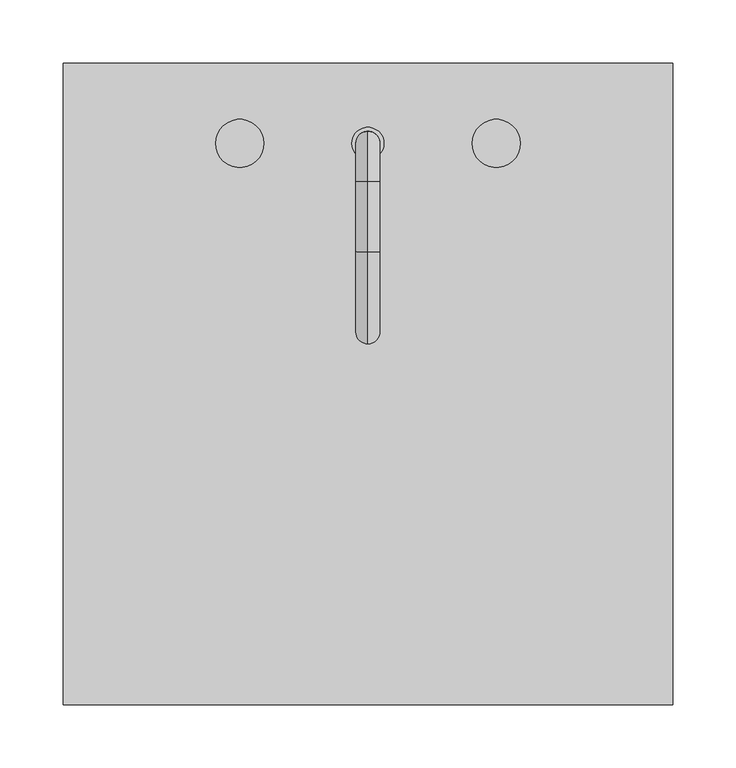
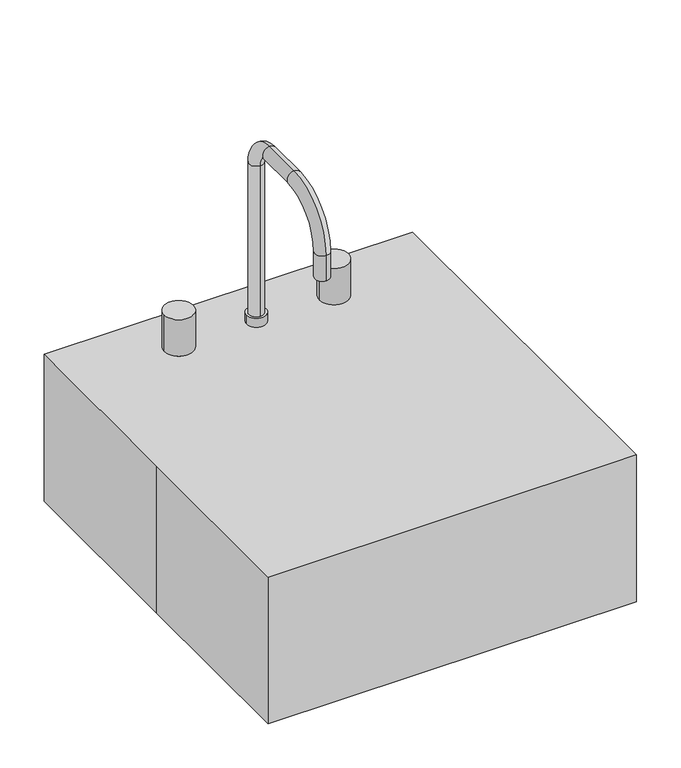
"""IFC4 building model written with IfcOpenShell, lengths in millimetres: proxy geometry."""

from ifc_helpers import new_model, si_unit, point, frame, frame_2d, origin, origin_with_axes, place, context, project, spatial, polyline, circle_curve, ellipse_curve, trimmed, segment, composite_curve, outline, extrude, source, transform, mapped, element, save
from ifc_brep_helpers import plane_surface, cylinder_surface, revolved_surface, advanced_brep


def specialty_equipment_f8ead85c(model_context):
    return source(origin(), model_context, "Body", "SolidModel", [
        advanced_brep(
        [(-215.9, -215.9, 190.5), (215.9, -215.9, 190.5), (215.9, 254.0, 190.5), (-215.9, 254.0, 190.5), (133.35, 139.7, 190.5), (177.8, 95.25, 190.5), (177.8, -133.35, 190.5), (133.35, -177.8, 190.5), (-133.35, -177.8, 190.5), (-177.8, -133.35, 190.5), (-177.8, 95.25, 190.5), (-133.35, 139.7, 190.5), (-120.65, 190.5, 190.5), (-82.55, 190.5, 190.5), (-19.05, 190.5, 190.5), (19.05, 190.5, 190.5), (82.55, 190.5, 190.5), (120.65, 190.5, 190.5), (-215.9, -215.9, 177.8), (-215.9, 254.0, 177.8), (215.9, 254.0, 177.8), (215.9, -215.9, 177.8), (-120.65, 190.5, 177.8), (-82.55, 190.5, 177.8), (-19.05, 190.5, 177.8), (19.05, 190.5, 177.8), (82.55, 190.5, 177.8), (120.65, 190.5, 177.8), (184.15, 95.25, 177.8), (133.35, 146.05, 177.8), (-133.35, 146.05, 177.8), (-184.15, 95.25, 177.8), (-184.15, -133.35, 177.8), (-133.35, -184.15, 177.8), (133.35, -184.15, 177.8), (184.15, -133.35, 177.8), (133.35, 139.7, 177.8), (177.8, 95.25, 177.8), (177.8, 95.25, 6.35), (177.8, -133.35, 6.35), (177.8, -133.35, 177.8), (133.35, -177.8, 177.8), (133.35, -177.8, 6.35), (-133.35, -177.8, 6.35), (-133.35, -177.8, 177.8), (-177.8, -133.35, 177.8), (-177.8, -133.35, 6.35), (-177.8, 95.25, 6.35), (-177.8, 95.25, 177.8), (-133.35, 139.7, 177.8), (-133.35, 139.7, 6.35), (133.35, 139.7, 6.35), (184.15, 95.25, 0.0), (133.35, 146.05, 0.0), (184.15, -133.35, 0.0), (133.35, -184.15, 0.0), (-133.35, -184.15, 0.0), (-184.15, -133.35, 0.0), (-184.15, 95.25, 0.0), (-133.35, 146.05, 0.0), (-19.05, -19.05, 0.0), (19.05, -19.05, 0.0), (-19.05, -19.05, 6.35), (19.05, -19.05, 6.35)],
        [
            (0, 1),
            (1, 2),
            (2, 3),
            (3, 0),
            (4, 5, circle_curve(frame((133.35, 95.25, 190.5), z_axis=(0.0, 0.0, -1.0), x_axis=(1.0, 0.0, 0.0)), 44.45)),
            (5, 6),
            (6, 7, circle_curve(frame((133.35, -133.35, 190.5), z_axis=(0.0, 0.0, -1.0), x_axis=(1.0, 0.0, 0.0)), 44.45)),
            (7, 8),
            (8, 9, circle_curve(frame((-133.35, -133.35, 190.5), z_axis=(0.0, 0.0, -1.0), x_axis=(1.0, 0.0, 0.0)), 44.45)),
            (9, 10),
            (10, 11, circle_curve(frame((-133.35, 95.25, 190.5), z_axis=(0.0, 0.0, -1.0), x_axis=(1.0, 0.0, 0.0)), 44.45)),
            (11, 4),
            (12, 13, circle_curve(frame((-101.6, 190.5, 190.5), z_axis=(0.0, 0.0, -1.0), x_axis=(1.0, 0.0, 0.0)), 19.05)),
            (13, 12, circle_curve(frame((-101.6, 190.5, 190.5), z_axis=(0.0, 0.0, -1.0), x_axis=(1.0, 0.0, 0.0)), 19.05)),
            (14, 15, circle_curve(frame((0.0, 190.5, 190.5), z_axis=(0.0, 0.0, -1.0), x_axis=(1.0, 0.0, 0.0)), 19.05)),
            (15, 14, circle_curve(frame((0.0, 190.5, 190.5), z_axis=(0.0, 0.0, -1.0), x_axis=(1.0, 0.0, 0.0)), 19.05)),
            (16, 17, circle_curve(frame((101.6, 190.5, 190.5), z_axis=(0.0, 0.0, -1.0), x_axis=(1.0, 0.0, 0.0)), 19.05)),
            (17, 16, circle_curve(frame((101.6, 190.5, 190.5), z_axis=(0.0, 0.0, -1.0), x_axis=(1.0, 0.0, 0.0)), 19.05)),
            (18, 19),
            (19, 20),
            (20, 21),
            (21, 18),
            (22, 23, circle_curve(frame((-101.6, 190.5, 177.8), z_axis=(0.0, 0.0, 1.0), x_axis=(1.0, 0.0, 0.0)), 19.05)),
            (23, 22, circle_curve(frame((-101.6, 190.5, 177.8), z_axis=(0.0, 0.0, 1.0), x_axis=(1.0, 0.0, 0.0)), 19.05)),
            (24, 25, circle_curve(frame((0.0, 190.5, 177.8), z_axis=(0.0, 0.0, 1.0), x_axis=(1.0, 0.0, 0.0)), 19.05)),
            (25, 24, circle_curve(frame((0.0, 190.5, 177.8), z_axis=(0.0, 0.0, 1.0), x_axis=(1.0, 0.0, 0.0)), 19.05)),
            (26, 27, circle_curve(frame((101.6, 190.5, 177.8), z_axis=(0.0, 0.0, 1.0), x_axis=(1.0, 0.0, 0.0)), 19.05)),
            (27, 26, circle_curve(frame((101.6, 190.5, 177.8), z_axis=(0.0, 0.0, 1.0), x_axis=(1.0, 0.0, 0.0)), 19.05)),
            (28, 29, circle_curve(frame((133.35, 95.25, 177.8), z_axis=(0.0, 0.0, 1.0), x_axis=(0.0, 1.0, 0.0)), 50.8)),
            (29, 30),
            (30, 31, circle_curve(frame((-133.35, 95.25, 177.8), z_axis=(0.0, 0.0, 1.0), x_axis=(-1.0, 0.0, 0.0)), 50.8)),
            (31, 32),
            (32, 33, circle_curve(frame((-133.35, -133.35, 177.8), z_axis=(0.0, 0.0, 1.0), x_axis=(0.0, -1.0, 0.0)), 50.8)),
            (33, 34),
            (34, 35, circle_curve(frame((133.35, -133.35, 177.8), z_axis=(0.0, 0.0, 1.0), x_axis=(1.0, 0.0, 0.0)), 50.8)),
            (35, 28),
            (0, 18),
            (21, 1),
            (20, 2),
            (19, 3),
            (4, 36),
            (36, 37, circle_curve(frame((133.35, 95.25, 177.8), z_axis=(0.0, 0.0, -1.0), x_axis=(1.0, 0.0, 0.0)), 44.45)),
            (37, 5),
            (37, 38),
            (38, 39),
            (39, 40),
            (40, 6),
            (40, 41, circle_curve(frame((133.35, -133.35, 177.8), z_axis=(0.0, 0.0, -1.0), x_axis=(1.0, 0.0, 0.0)), 44.45)),
            (41, 7),
            (41, 42),
            (42, 43),
            (43, 44),
            (44, 8),
            (44, 45, circle_curve(frame((-133.35, -133.35, 177.8), z_axis=(0.0, 0.0, -1.0), x_axis=(1.0, 0.0, 0.0)), 44.45)),
            (45, 9),
            (45, 46),
            (46, 47),
            (47, 48),
            (48, 10),
            (48, 49, circle_curve(frame((-133.35, 95.25, 177.8), z_axis=(0.0, 0.0, -1.0), x_axis=(1.0, 0.0, 0.0)), 44.45)),
            (49, 11),
            (49, 50),
            (50, 51),
            (51, 36),
            (12, 22),
            (23, 13),
            (14, 24),
            (25, 15),
            (16, 26),
            (27, 17),
            (52, 53, circle_curve(frame((133.35, 95.25, 0.0), z_axis=(0.0, 0.0, 1.0), x_axis=(0.0, 1.0, 0.0)), 50.8)),
            (53, 29),
            (28, 52),
            (51, 38, circle_curve(frame((133.35, 95.25, 6.35), z_axis=(0.0, 0.0, -1.0), x_axis=(0.0, 1.0, 0.0)), 44.45)),
            (35, 54),
            (54, 52),
            (34, 55),
            (55, 54, circle_curve(frame((133.35, -133.35, 0.0), z_axis=(0.0, 0.0, 1.0), x_axis=(1.0, 0.0, 0.0)), 50.8)),
            (39, 42, circle_curve(frame((133.35, -133.35, 6.35), z_axis=(0.0, 0.0, -1.0), x_axis=(1.0, 0.0, 0.0)), 44.45)),
            (33, 56),
            (56, 55),
            (32, 57),
            (57, 56, circle_curve(frame((-133.35, -133.35, 0.0), z_axis=(0.0, 0.0, 1.0), x_axis=(0.0, -1.0, 0.0)), 50.8)),
            (43, 46, circle_curve(frame((-133.35, -133.35, 6.35), z_axis=(0.0, 0.0, -1.0), x_axis=(0.0, -1.0, 0.0)), 44.45)),
            (31, 58),
            (58, 57),
            (30, 59),
            (59, 58, circle_curve(frame((-133.35, 95.25, 0.0), z_axis=(0.0, 0.0, 1.0), x_axis=(-1.0, 0.0, 0.0)), 50.8)),
            (47, 50, circle_curve(frame((-133.35, 95.25, 6.35), z_axis=(0.0, 0.0, -1.0), x_axis=(-1.0, 0.0, 0.0)), 44.45)),
            (53, 59),
            (60, 61, circle_curve(frame((0.0, -19.05, 0.0), z_axis=(0.0, 0.0, 1.0), x_axis=(1.0, 0.0, 0.0)), 19.05)),
            (61, 60, circle_curve(frame((0.0, -19.05, 0.0), z_axis=(0.0, 0.0, 1.0), x_axis=(1.0, 0.0, 0.0)), 19.05)),
            (62, 63, circle_curve(frame((0.0, -19.05, 6.35), z_axis=(0.0, 0.0, -1.0), x_axis=(1.0, 0.0, 0.0)), 19.05)),
            (63, 62, circle_curve(frame((0.0, -19.05, 6.35), z_axis=(0.0, 0.0, -1.0), x_axis=(1.0, 0.0, 0.0)), 19.05)),
            (62, 60),
            (61, 63),
        ],
        [
            plane_surface(frame((215.9, -215.9, 190.5), z_axis=(0.0, 0.0, 1.0), x_axis=(1.0, 0.0, 0.0))),
            plane_surface(frame((215.9, -215.9, 177.8), z_axis=(0.0, 0.0, -1.0), x_axis=(-1.0, 0.0, 0.0))),
            plane_surface(frame((-215.9, -215.9, 190.5), z_axis=(0.0, -1.0, 0.0), x_axis=(0.0, 0.0, -1.0))),
            plane_surface(frame((215.9, -215.9, 190.5), z_axis=(1.0, 0.0, 0.0), x_axis=(0.0, 0.0, -1.0))),
            plane_surface(frame((215.9, 254.0, 190.5), z_axis=(0.0, 1.0, 0.0), x_axis=(0.0, 0.0, -1.0))),
            plane_surface(frame((-215.9, 254.0, 190.5), z_axis=(-1.0, 0.0, 0.0), x_axis=(0.0, 0.0, -1.0))),
            revolved_surface(polyline([(177.8, 95.25, 177.8), (177.8, 95.25, 190.5)]), (133.35, 95.25, 177.8), (0.0, 0.0, -1.0)),
            plane_surface(frame((177.8, 95.25, 190.5), z_axis=(-1.0, 0.0, 0.0), x_axis=(0.0, 0.0, -1.0))),
            revolved_surface(polyline([(177.8, -133.35, 177.8), (177.8, -133.35, 190.5)]), (133.35, -133.35, 177.8), (0.0, 0.0, -1.0)),
            plane_surface(frame((133.35, -177.8, 190.5), z_axis=(0.0, 1.0, 0.0), x_axis=(0.0, 0.0, -1.0))),
            revolved_surface(polyline([(-88.89999999999999, -133.35, 177.8), (-88.89999999999999, -133.35, 190.5)]), (-133.35, -133.35, 177.8), (0.0, 0.0, -1.0)),
            plane_surface(frame((-177.8, -133.35, 190.5), z_axis=(1.0, 0.0, 0.0), x_axis=(0.0, 0.0, -1.0))),
            revolved_surface(polyline([(-88.89999999999999, 95.25, 177.8), (-88.89999999999999, 95.25, 190.5)]), (-133.35, 95.25, 177.8), (0.0, 0.0, -1.0)),
            plane_surface(frame((-133.35, 139.7, 190.5), z_axis=(0.0, -1.0, 0.0), x_axis=(0.0, 0.0, -1.0))),
            revolved_surface(polyline([(-82.55, 190.5, 177.8), (-82.55, 190.5, 190.5)]), (-101.6, 190.5, 177.8), (0.0, 0.0, -1.0)),
            revolved_surface(polyline([(19.05, 190.5, 177.8), (19.05, 190.5, 190.5)]), (0.0, 190.5, 177.8), (0.0, 0.0, -1.0)),
            revolved_surface(polyline([(120.64999999999999, 190.5, 177.8), (120.64999999999999, 190.5, 190.5)]), (101.6, 190.5, 177.8), (0.0, 0.0, -1.0)),
            cylinder_surface(frame((133.35, 95.25, 190.5), z_axis=(0.0, 0.0, -1.0), x_axis=(0.0, 1.0, 0.0)), 50.8),
            revolved_surface(polyline([(133.35, 139.7, 6.349999999999994), (133.35, 139.7, 177.8)]), (133.35, 95.25, 190.5), (0.0, 0.0, -1.0)),
            plane_surface(frame((184.15, 95.25, 177.8), z_axis=(1.0, 0.0, 0.0), x_axis=(0.0, -1.0, 0.0))),
            cylinder_surface(frame((133.35, -133.35, 190.5), z_axis=(0.0, 0.0, -1.0), x_axis=(1.0, 0.0, 0.0)), 50.8),
            revolved_surface(polyline([(177.8, -133.35, 6.349999999999994), (177.8, -133.35, 177.8)]), (133.35, -133.35, 190.5), (0.0, 0.0, -1.0)),
            plane_surface(frame((133.35, -184.15, 177.8), z_axis=(0.0, -1.0, 0.0), x_axis=(-1.0, 0.0, 0.0))),
            cylinder_surface(frame((-133.35, -133.35, 190.5), z_axis=(0.0, 0.0, -1.0), x_axis=(0.0, -1.0, 0.0)), 50.8),
            revolved_surface(polyline([(-133.35, -177.8, 6.349999999999994), (-133.35, -177.8, 177.8)]), (-133.35, -133.35, 190.5), (0.0, 0.0, -1.0)),
            plane_surface(frame((-184.15, -133.35, 177.8), z_axis=(-1.0, 0.0, 0.0), x_axis=(0.0, 1.0, 0.0))),
            cylinder_surface(frame((-133.35, 95.25, 190.5), z_axis=(0.0, 0.0, -1.0), x_axis=(-1.0, 0.0, 0.0)), 50.8),
            revolved_surface(polyline([(-177.8, 95.25, 6.349999999999994), (-177.8, 95.25, 177.8)]), (-133.35, 95.25, 190.5), (0.0, 0.0, -1.0)),
            plane_surface(frame((-133.35, 146.05, 177.8), z_axis=(0.0, 1.0, 0.0), x_axis=(1.0, 0.0, 0.0))),
            plane_surface(frame((-133.35, 146.05, 0.0), z_axis=(0.0, 0.0, -1.0), x_axis=(1.0, 0.0, 0.0))),
            plane_surface(frame((-88.9, 95.25, 6.35), z_axis=(0.0, 0.0, 1.0), x_axis=(0.0, 1.0, 0.0))),
            revolved_surface(polyline([(19.05, -19.05, 0.0), (19.05, -19.05, 6.35)]), (0.0, -19.05, 0.0), (0.0, 0.0, -1.0)),
        ],
        [
            (0, [[1, 2, 3, 4], [5, 6, 7, 8, 9, 10, 11, 12], [13, 14], [15, 16], [17, 18]]),
            (1, [[19, 20, 21, 22], [23, 24], [25, 26], [27, 28], [29, 30, 31, 32, 33, 34, 35, 36]]),
            (2, [[-1, 37, -22, 38]]),
            (3, [[-2, -38, -21, 39]]),
            (4, [[-3, -39, -20, 40]]),
            (5, [[-4, -40, -19, -37]]),
            (6, [[-5, 41, 42, 43]]),
            (7, [[-6, -43, 44, 45, 46, 47]]),
            (8, [[-7, -47, 48, 49]]),
            (9, [[-8, -49, 50, 51, 52, 53]]),
            (10, [[-9, -53, 54, 55]]),
            (11, [[-10, -55, 56, 57, 58, 59]]),
            (12, [[-11, -59, 60, 61]]),
            (13, [[-12, -61, 62, 63, 64, -41]]),
            (14, [[-13, 65, -24, 66]]),
            (14, [[-14, -66, -23, -65]]),
            (15, [[-15, 67, -26, 68]]),
            (15, [[-16, -68, -25, -67]]),
            (16, [[-17, 69, -28, 70]]),
            (16, [[-18, -70, -27, -69]]),
            (17, [[71, 72, -29, 73]]),
            (18, [[-42, -64, 74, -44]]),
            (19, [[-73, -36, 75, 76]]),
            (20, [[-75, -35, 77, 78]]),
            (21, [[-48, -46, 79, -50]]),
            (22, [[-77, -34, 80, 81]]),
            (23, [[-80, -33, 82, 83]]),
            (24, [[-54, -52, 84, -56]]),
            (25, [[-82, -32, 85, 86]]),
            (26, [[-85, -31, 87, 88]]),
            (27, [[-60, -58, 89, -62]]),
            (28, [[-72, 90, -87, -30]]),
            (29, [[-71, -76, -78, -81, -83, -86, -88, -90], [91, 92]]),
            (30, [[-45, -74, -63, -89, -57, -84, -51, -79], [93, 94]]),
            (31, [[-93, 95, -92, 96]]),
            (31, [[-94, -96, -91, -95]]),
        ],
    ),
        extrude(outline(polyline([(-241.3, 254.0), (241.3, 254.0), (241.3, -254.0), (-241.3, -254.0), (-241.3, 0.0), (-241.3, 254.0)])), origin_with_axes(), (0.0, 0.0, 1.0), 203.2),
        advanced_brep(
        [(0.0, 200.025, 203.2), (0.0, 180.975, 203.2), (0.0, 200.025, 423.8625), (0.0, 180.975, 423.8625), (0.0, 160.3375, 444.5), (0.0, 160.3375, 463.55), (0.0, 104.775, 463.55), (0.0, 104.775, 444.5), (0.0, 50.8, 390.525), (0.0, 31.75, 390.525), (0.0, 31.75, 355.6), (0.0, 50.8, 355.6)],
        [
            (0, 1, circle_curve(frame((0.0, 190.5, 203.2), z_axis=(0.0, 0.0, -1.0), x_axis=(0.0, -1.0, 0.0)), 9.525)),
            (1, 0, circle_curve(frame((0.0, 190.5, 203.2), z_axis=(0.0, 0.0, -1.0), x_axis=(0.0, -1.0, 0.0)), 9.525)),
            (0, 2),
            (2, 3, circle_curve(frame((0.0, 190.5, 423.8625), z_axis=(0.0, 0.0, -1.0), x_axis=(0.0, -1.0, 0.0)), 9.525)),
            (3, 1),
            (3, 2, circle_curve(frame((0.0, 190.5, 423.8625), z_axis=(0.0, 0.0, -1.0), x_axis=(0.0, -1.0, 0.0)), 9.525)),
            (4, 3, circle_curve(frame((0.0, 160.3375, 423.8625), z_axis=(-1.0, 0.0, 0.0), x_axis=(0.0, 1.0, 0.0)), 20.6375)),
            (2, 5, circle_curve(frame((0.0, 160.3375, 423.8625), z_axis=(1.0, 0.0, 0.0), x_axis=(0.0, 1.0, 0.0)), 39.6875)),
            (5, 4, circle_curve(frame((0.0, 160.3375, 454.025), z_axis=(0.0, 1.0, 0.0), x_axis=(0.0, 0.0, -1.0)), 9.525)),
            (4, 5, circle_curve(frame((0.0, 160.3375, 454.025), z_axis=(0.0, 1.0, 0.0), x_axis=(0.0, 0.0, -1.0)), 9.525)),
            (5, 6),
            (6, 7, circle_curve(frame((0.0, 104.775, 454.025), z_axis=(0.0, 1.0, 0.0), x_axis=(0.0, 0.0, -1.0)), 9.525)),
            (7, 4),
            (7, 6, circle_curve(frame((0.0, 104.775, 454.025), z_axis=(0.0, 1.0, 0.0), x_axis=(0.0, 0.0, -1.0)), 9.525)),
            (8, 7, circle_curve(frame((0.0, 104.775, 390.525), z_axis=(-1.0, 0.0, 0.0), x_axis=(0.0, 0.0, 1.0)), 53.975)),
            (6, 9, circle_curve(frame((0.0, 104.775, 390.525), z_axis=(1.0, 0.0, 0.0), x_axis=(0.0, 0.0, 1.0)), 73.025)),
            (9, 8, circle_curve(frame((0.0, 41.275, 390.525), z_axis=(0.0, 0.0, 1.0), x_axis=(0.0, 1.0, 0.0)), 9.525)),
            (8, 9, circle_curve(frame((0.0, 41.275, 390.525), z_axis=(0.0, 0.0, 1.0), x_axis=(0.0, 1.0, 0.0)), 9.525)),
            (10, 11, circle_curve(frame((0.0, 41.275, 355.6), z_axis=(0.0, 0.0, -1.0), x_axis=(0.0, 1.0, 0.0)), 9.525)),
            (11, 10, circle_curve(frame((0.0, 41.275, 355.6), z_axis=(0.0, 0.0, -1.0), x_axis=(0.0, 1.0, 0.0)), 9.525)),
            (9, 10),
            (11, 8),
        ],
        [
            plane_surface(frame((0.0, 180.975, 203.2), z_axis=(0.0, 0.0, -1.0), x_axis=(1.0, 0.0, 0.0))),
            cylinder_surface(frame((0.0, 190.5, 203.2), z_axis=(0.0, 0.0, -1.0), x_axis=(0.0, -1.0, 0.0)), 9.525),
            revolved_surface(trimmed(ellipse_curve(frame((0.0, 190.5, 423.8625), z_axis=(0.0, 0.0, -1.0), x_axis=(0.0, -1.0, 0.0)), 9.525, 9.525), [point((0.0, 200.025, 423.8625))], [point((0.0, 180.975, 423.8625))], True, "CARTESIAN"), (0.0, 160.3375, 423.8625), (1.0, 0.0, 0.0)),
            revolved_surface(trimmed(ellipse_curve(frame((0.0, 190.5, 423.8625), z_axis=(0.0, 0.0, -1.0), x_axis=(0.0, -1.0, 0.0)), 9.525, 9.525), [point((0.0, 180.975, 423.8625))], [point((0.0, 200.025, 423.8625))], True, "CARTESIAN"), (0.0, 160.3375, 423.8625), (1.0, 0.0, 0.0)),
            cylinder_surface(frame((0.0, 160.3375, 454.025), z_axis=(0.0, 1.0, 0.0), x_axis=(0.0, 0.0, -1.0)), 9.525),
            revolved_surface(trimmed(ellipse_curve(frame((0.0, 104.775, 454.025), z_axis=(0.0, 1.0, 0.0), x_axis=(0.0, 0.0, -1.0)), 9.525, 9.525), [point((0.0, 104.775, 463.55))], [point((0.0, 104.775, 444.5))], True, "CARTESIAN"), (0.0, 104.775, 390.525), (1.0, 0.0, 0.0)),
            revolved_surface(trimmed(ellipse_curve(frame((0.0, 104.775, 454.025), z_axis=(0.0, 1.0, 0.0), x_axis=(0.0, 0.0, -1.0)), 9.525, 9.525), [point((0.0, 104.775, 444.5))], [point((0.0, 104.775, 463.55))], True, "CARTESIAN"), (0.0, 104.775, 390.525), (1.0, 0.0, 0.0)),
            plane_surface(frame((0.0, 31.75, 355.6), z_axis=(0.0, 0.0, -1.0), x_axis=(-1.0, 0.0, 0.0))),
            cylinder_surface(frame((0.0, 41.275, 390.525), z_axis=(0.0, 0.0, 1.0), x_axis=(0.0, 1.0, 0.0)), 9.525),
        ],
        [
            (0, [[1, 2]]),
            (1, [[-1, 3, 4, 5]]),
            (1, [[-2, -5, 6, -3]]),
            (2, [[7, -4, 8, 9]]),
            (3, [[-8, -6, -7, 10]]),
            (4, [[-9, 11, 12, 13]]),
            (4, [[-10, -13, 14, -11]]),
            (5, [[15, -12, 16, 17]]),
            (6, [[-16, -14, -15, 18]]),
            (7, [[19, 20]]),
            (8, [[-17, 21, -20, 22]]),
            (8, [[-18, -22, -19, -21]]),
        ],
    ),
        extrude(outline(composite_curve([segment(trimmed(circle_curve(frame_2d((0.0, 190.5)), 12.7), [point((-12.7, 190.5))], [point((12.7, 190.5))], False, "CARTESIAN"), True, "CONTINUOUS"), segment(trimmed(circle_curve(frame_2d((0.0, 190.5)), 12.7), [point((12.7, 190.5))], [point((-12.7, 190.5))], False, "CARTESIAN"), True, "CONTINUOUS")], self_intersect=False), holes=[composite_curve([segment(trimmed(circle_curve(frame_2d((0.0, 190.5)), 9.525), [point((-9.525, 190.5))], [point((9.525, 190.5))], True, "CARTESIAN"), True, "CONTINUOUS"), segment(trimmed(circle_curve(frame_2d((0.0, 190.5)), 9.525), [point((9.525, 190.5))], [point((-9.525, 190.5))], True, "CARTESIAN"), True, "CONTINUOUS")], self_intersect=False)]), frame((0.0, 0.0, 203.2), z_axis=(0.0, 0.0, 1.0), x_axis=(1.0, 0.0, 0.0)), (0.0, 0.0, 1.0), 12.7),
        extrude(outline(composite_curve([segment(trimmed(circle_curve(frame_2d((-101.6, 190.5)), 19.05), [point((-120.65, 190.5))], [point((-82.55, 190.5))], False, "CARTESIAN"), True, "CONTINUOUS"), segment(trimmed(circle_curve(frame_2d((-101.6, 190.5)), 19.05), [point((-82.55, 190.5))], [point((-120.65, 190.5))], False, "CARTESIAN"), True, "CONTINUOUS")], self_intersect=False)), frame((0.0, 0.0, 203.2), z_axis=(0.0, 0.0, 1.0), x_axis=(1.0, 0.0, 0.0)), (0.0, 0.0, 1.0), 50.8),
        extrude(outline(composite_curve([segment(trimmed(circle_curve(frame_2d((101.6, 190.5)), 19.05), [point((82.55, 190.5))], [point((120.65, 190.5))], False, "CARTESIAN"), True, "CONTINUOUS"), segment(trimmed(circle_curve(frame_2d((101.6, 190.5)), 19.05), [point((120.65, 190.5))], [point((82.55, 190.5))], False, "CARTESIAN"), True, "CONTINUOUS")], self_intersect=False)), frame((0.0, 0.0, 203.2), z_axis=(0.0, 0.0, 1.0), x_axis=(1.0, 0.0, 0.0)), (0.0, 0.0, 1.0), 50.8),
        extrude(outline(composite_curve([segment(trimmed(circle_curve(frame_2d((101.6, 190.5)), 19.05), [point((101.6, 209.55))], [point((101.6, 171.45))], False, "CARTESIAN"), True, "CONTINUOUS"), segment(polyline([(101.6, 171.45), (-101.6, 171.45)]), True, "CONTINUOUS"), segment(trimmed(circle_curve(frame_2d((-101.6, 190.5)), 19.05), [point((-101.6, 171.45))], [point((-101.6, 209.55))], False, "CARTESIAN"), True, "CONTINUOUS"), segment(polyline([(-101.6, 209.55), (101.6, 209.55)]), True, "CONTINUOUS")], self_intersect=False), holes=[composite_curve([segment(trimmed(circle_curve(frame_2d((0.0, 190.5)), 9.525), [point((-9.525, 190.5))], [point((9.525, 190.5))], True, "CARTESIAN"), True, "CONTINUOUS"), segment(trimmed(circle_curve(frame_2d((0.0, 190.5)), 9.525), [point((9.525, 190.5))], [point((-9.525, 190.5))], True, "CARTESIAN"), True, "CONTINUOUS")], self_intersect=False)]), frame((0.0, 0.0, 190.5), z_axis=(0.0, 0.0, 1.0), x_axis=(1.0, 0.0, 0.0)), (0.0, 0.0, 1.0), 12.7),
    ])


if __name__ == "__main__":
    model = new_model("IFC4")
    model_context = context("Model", 3, world=origin())
    ifc_project = project(units=[si_unit("LENGTHUNIT", "METRE", prefix="MILLI")], contexts=[model_context])
    site = spatial("IfcSite", under=ifc_project)
    building = spatial("IfcBuilding", under=site)
    placement = place(None, origin())
    specialty_equipment_shape = specialty_equipment_f8ead85c(model_context)
    element("IfcBuildingElementProxy", 1, Name="Specialty Equipment", at=placement, inside=building, context=model_context, shape_type="MappedRepresentation", body=[
        mapped(specialty_equipment_shape, transform((0.0, 0.0, 0.0), x_axis=(1.0, 0.0, 0.0), y_axis=(0.0, 1.0, 0.0), z_axis=(0.0, 0.0, 1.0))),
    ])
    save(model, "model.ifc")
